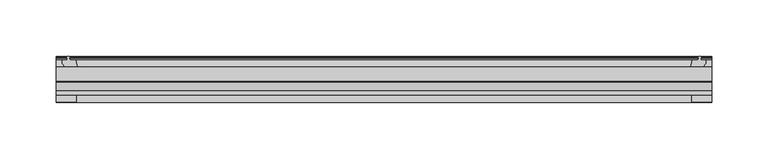
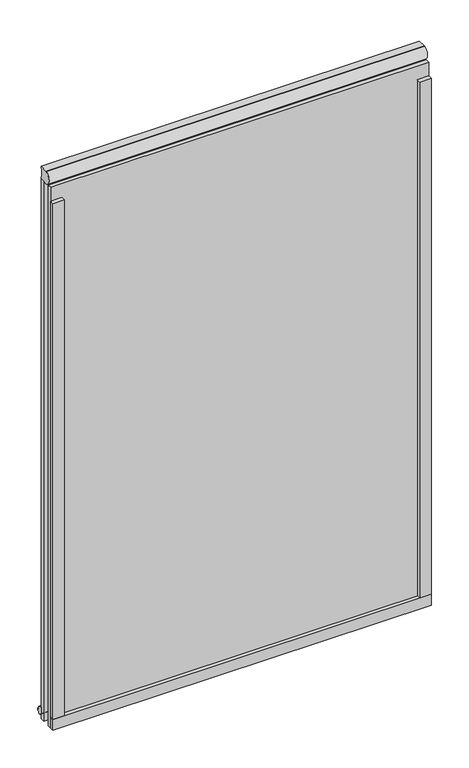
"""IFC4 building model written with IfcOpenShell, lengths in millimetres: plate geometry."""

from ifc_helpers import new_model, si_unit, point, frame, origin, origin_with_axes, place, context, project, spatial, polyline, circle_curve, ellipse_curve, trimmed, outline, extrude, source, transform, mapped, element, save
from ifc_brep_helpers import plane_surface, cylinder_surface, revolved_surface, extruded_surface, advanced_brep


def plate_66616216(model_context):
    return source(origin(), model_context, "Body", "SolidModel", [
        extrude(outline(polyline([(290.5124998, -44.4062658), (290.5124998, -50.7678158), (-290.5124998, -50.7678158), (-290.5124998, -44.4062658), (290.5124998, -44.4062658)])), frame((0.0, 0.0, -17.4370998), z_axis=(0.0, 0.0, 1.0), x_axis=(1.0, 0.0, 0.0)), (0.0, 0.0, 1.0), 17.4752),
        advanced_brep(
        [(290.5124998, -33.2820356, 879.3990009), (290.5124998, -32.0913125, 859.3817345), (290.5124998, -25.9445125, 860.4249991), (290.5124998, -19.6453125, 860.4249991), (290.5124998, -19.6453125, 879.5003988), (290.5124998, -32.0913125, 879.5003988), (-290.5124998, -33.2841869, 879.4242634), (-290.5124998, -32.0934638, 879.5256613), (-290.5124998, -19.6453125, 879.5003988), (-290.5124998, -19.6453125, 860.4249991), (-290.5124998, -25.9445125, 860.4249991), (-290.5124998, -32.0913125, 859.3817345)],
        [
            (0, 1, ellipse_curve(frame((290.5124998, -32.0913125, 869.4410666), z_axis=(1.0, 0.0, 0.0), x_axis=(0.0, 0.0, -1.0)), 10.0593321, 8.407428)),
            (1, 2, circle_curve(frame((290.5124998, -32.0913125, 878.0115004), z_axis=(1.0, 0.0, 0.0), x_axis=(0.0, 0.0, 1.0)), 18.6297659)),
            (2, 3),
            (3, 4, circle_curve(frame((290.5124998, 17.3392051, 869.962699), z_axis=(-1.0, 0.0, 0.0), x_axis=(0.0, 0.0, 1.0)), 38.1945318)),
            (4, 5),
            (5, 0),
            (6, 7),
            (7, 8),
            (8, 9, circle_curve(frame((-290.5124998, 17.3392051, 869.962699), z_axis=(1.0, 0.0, 0.0), x_axis=(0.0, 0.0, 1.0)), 38.1945318)),
            (9, 10),
            (10, 11, circle_curve(frame((-290.5124998, -32.0913125, 878.0115004), z_axis=(-1.0, 0.0, 0.0), x_axis=(0.0, 0.0, 1.0)), 18.6297659)),
            (11, 6, ellipse_curve(frame((-290.5124998, -32.0913125, 869.4410666), z_axis=(-1.0, 0.0, 0.0), x_axis=(0.0, 0.0, -1.0)), 10.0593321, 8.407428)),
            (0, 6),
            (11, 1),
            (10, 2),
            (9, 3),
            (8, 4),
            (7, 5),
        ],
        [
            plane_surface(frame((290.5124998, 25.5984375, 860.4249991), z_axis=(1.0, 0.0, 0.0), x_axis=(0.0, 1.0, 0.0))),
            plane_surface(frame((-290.5124998, 25.5984375, 860.4249991), z_axis=(-1.0, 0.0, 0.0), x_axis=(0.0, 1.0, 0.0))),
            extruded_surface(trimmed(ellipse_curve(frame((-290.5124998, -32.0913125, 869.4410666), z_axis=(1.0, 0.0, 0.0), x_axis=(0.0, 0.0, -1.0)), 10.0593321, 8.407428), [point((-290.5124998, -33.2820356, 879.3990009))], [point((-290.5124998, -32.0913125, 859.3817345))], True, "CARTESIAN"), (581.0249996, 0.0, 0.0), 581.0249996),
            cylinder_surface(frame((290.5124998, -32.0913125, 878.0115004), z_axis=(1.0, 0.0, 0.0), x_axis=(0.0, 0.0, 1.0)), 18.6297659),
            plane_surface(frame((290.5124998, -25.9445125, 860.4249991), z_axis=(0.0, 0.0, -1.0), x_axis=(-1.0, 0.0, 0.0))),
            revolved_surface(polyline([(-290.5124998, 17.3392051, 908.1572308000001), (290.5124998, 17.3392051, 908.1572308000001)]), (290.5124998, 17.3392051, 869.962699), (-1.0, 0.0, 0.0)),
            plane_surface(frame((290.5124998, -19.6453125, 879.5003988), z_axis=(0.0, 0.0, 1.0), x_axis=(-1.0, 0.0, 0.0))),
            plane_surface(frame((290.5124998, -32.68818, 879.4750173), z_axis=(0.0, -0.08484944368305271, 0.9963937835548135), x_axis=(0.0, -0.9963937835548135, -0.08484944368305271))),
        ],
        [
            (0, [[1, 2, 3, 4, 5, 6]]),
            (1, [[7, 8, 9, 10, 11, 12]]),
            (2, [[-1, 13, -12, 14]]),
            (3, [[-2, -14, -11, 15]]),
            (4, [[-3, -15, -10, 16]]),
            (5, [[-4, -16, -9, 17]]),
            (6, [[-5, -17, -8, 18]]),
            (7, [[-6, -18, -7, -13]]),
        ],
    ),
        extrude(outline(polyline([(-16.311566, -12.4459992), (-19.5373643, -9.7597211), (-19.5373643, 1.1616223), (-13.365166, -0.5079992), (-13.365166, -5.7149992), (-10.9849691, -6.0959992), (-11.4449023, -4.6804701), (-10.6436881, -4.6804701), (-9.936166, -6.8579992), (-10.6436881, -9.0355282), (-11.4449023, -9.0355282), (-10.9849691, -7.6199992), (-13.365166, -8.0009992), (-13.365166, -12.4459992), (-16.311566, -12.4459992)])), frame((-290.5124998, 0.0, 0.0), z_axis=(1.0, 0.0, 0.0), x_axis=(0.0, 1.0, 0.0)), (0.0, 0.0, 1.0), 581.0249996),
        extrude(outline(polyline([(-271.8883774, -19.5373643), (-282.8097209, -19.5373643), (-285.4959989, -16.311566), (-285.4959989, -13.365166), (-281.0509989, -13.365166), (-280.6699989, -10.9849691), (-282.085528, -11.4449023), (-282.085528, -10.6436881), (-279.9079989, -9.936166), (-277.7304699, -10.6436881), (-277.7304699, -11.4449023), (-279.1459989, -10.9849691), (-278.7649989, -13.365166), (-273.5579989, -13.365166), (-271.8883774, -19.5373643)])), origin_with_axes(), (0.0, 0.0, 1.0), 838.1999991),
        extrude(outline(polyline([(-273.0372998, -44.4293643), (-273.0372998, -50.7793643), (-290.5124998, -50.7793643), (-290.5124998, -44.4293643), (-273.0372998, -44.4293643)])), origin_with_axes(), (0.0, 0.0, 1.0), 838.1999991),
        extrude(outline(polyline([(271.9010776, -19.5373643), (273.5706991, -13.365166), (278.7776991, -13.365166), (279.1586991, -10.9849691), (277.7431701, -11.4449023), (277.7431701, -10.6436881), (279.9206991, -9.936166), (282.0982282, -10.6436881), (282.0982282, -11.4449023), (280.6826991, -10.9849691), (281.0636991, -13.365166), (285.5086991, -13.365166), (285.5086991, -16.311566), (282.8224211, -19.5373643), (271.9010776, -19.5373643)])), origin_with_axes(), (0.0, 0.0, 1.0), 838.1999991),
        extrude(outline(polyline([(290.5252, -50.7793643), (273.0499996, -50.7793643), (273.0499996, -44.4293643), (290.5252, -44.4293643), (290.5252, -50.7793643)])), origin_with_axes(), (0.0, 0.0, 1.0), 838.1999991),
        extrude(outline(polyline([(290.5124998, -19.5373643), (290.5124998, -25.8250158), (-290.5124998, -25.8250158), (-290.5124998, -19.5373643), (290.5124998, -19.5373643)])), frame((0.0, 0.0, -17.4497998), z_axis=(0.0, 0.0, 1.0), x_axis=(1.0, 0.0, 0.0)), (0.0, 0.0, 1.0), 877.8747989),
        extrude(outline(polyline([(-290.5124998, -44.4293643), (-290.5124998, -38.1186142), (290.5124998, -38.1186142), (290.5124998, -44.4293643), (-290.5124998, -44.4293643)])), frame((0.0, 0.0, -17.4497998), z_axis=(0.0, 0.0, 1.0), x_axis=(1.0, 0.0, 0.0)), (0.0, 0.0, 1.0), 877.8747989),
    ])


if __name__ == "__main__":
    model = new_model("IFC4")
    model_context = context("Model", 3, world=origin())
    ifc_project = project(units=[si_unit("LENGTHUNIT", "METRE", prefix="MILLI")], contexts=[model_context])
    site = spatial("IfcSite", under=ifc_project)
    building = spatial("IfcBuilding", under=site)
    placement = place(None, origin())
    plate_shape = plate_66616216(model_context)
    element("IfcPlate", 1, at=placement, inside=building, context=model_context, shape_type="MappedRepresentation", body=[
        mapped(plate_shape, transform((0.0, 0.0, 0.0), x_axis=(1.0, 0.0, 0.0), y_axis=(0.0, 1.0, 0.0), z_axis=(0.0, 0.0, 1.0))),
    ])
    save(model, "model.ifc")
